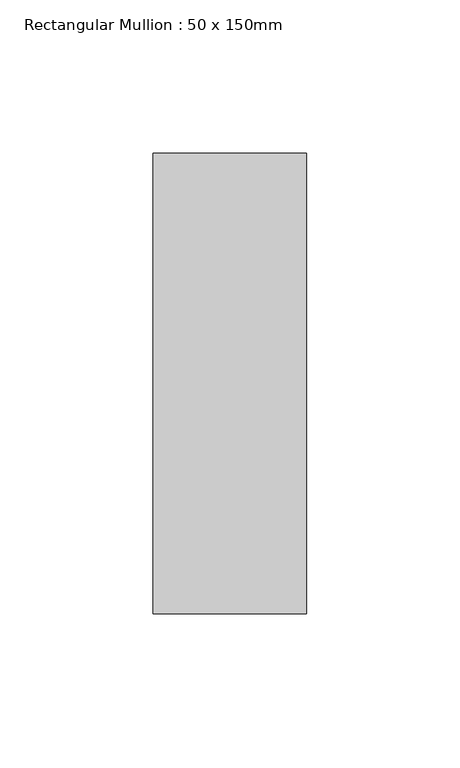
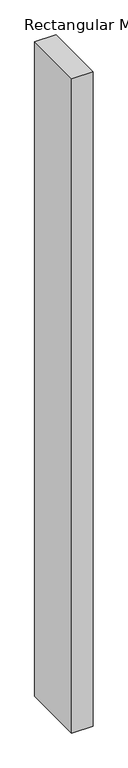
"""IFC4 building model written with IfcOpenShell, lengths in millimetres: member geometry, Rectangular Mullion : 50 x 150mm."""

from ifc_helpers import new_model, si_unit, frame, origin, place, context, project, spatial, polyline, outline, extrude, source, transform, mapped, element, save


def rectangular_mullion_50_x_150mm_d4f998eb(model_context):
    return source(origin(), model_context, "Body", "SweptSolid", [
        extrude(outline(polyline([(25.0, 75.0), (25.0, -75.0), (-25.0, -75.0), (-25.0, 75.0), (25.0, 75.0)])), frame((0.0, 0.0, -1618.2910666), z_axis=(0.0, 0.0, 1.0), x_axis=(1.0, 0.0, 0.0)), (0.0, 0.0, 1.0), 1618.2910666),
    ])


if __name__ == "__main__":
    model = new_model("IFC4")
    model_context = context("Model", 3, world=origin())
    ifc_project = project(units=[si_unit("LENGTHUNIT", "METRE", prefix="MILLI")], contexts=[model_context])
    site = spatial("IfcSite", under=ifc_project)
    building = spatial("IfcBuilding", under=site)
    placement = place(None, origin())
    rectangular_mullion_50_x_150mm_shape = rectangular_mullion_50_x_150mm_d4f998eb(model_context)
    element("IfcMember", 1, ObjectType="Rectangular Mullion : 50 x 150mm", at=placement, inside=building, context=model_context, shape_type="MappedRepresentation", body=[
        mapped(rectangular_mullion_50_x_150mm_shape, transform((0.0, 0.0, 0.0), x_axis=(1.0, 0.0, 0.0), y_axis=(0.0, 1.0, 0.0), z_axis=(0.0, 0.0, 1.0))),
    ])
    save(model, "model.ifc")
